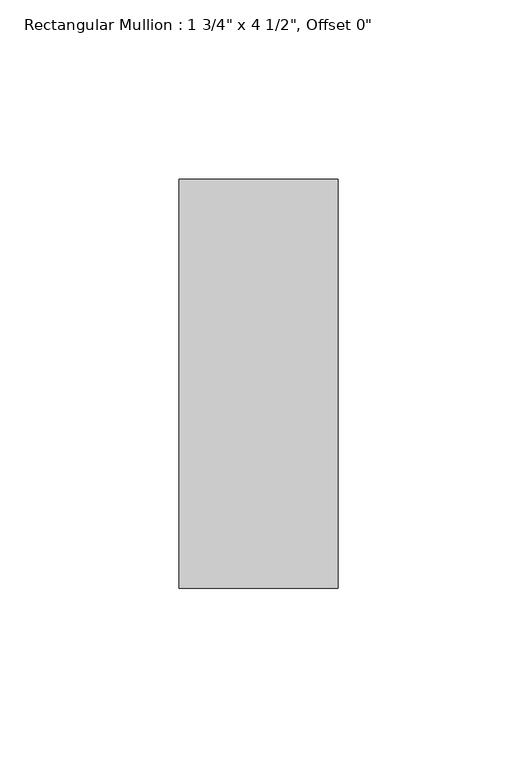
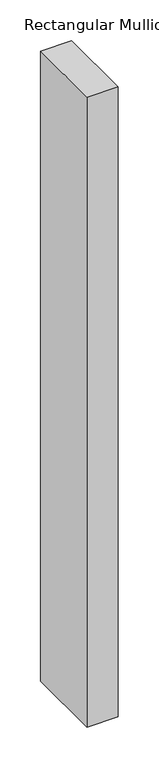
"""IFC4 building model written with IfcOpenShell, lengths in millimetres: member geometry."""

from ifc_helpers import new_model, si_unit, frame, origin, place, context, project, spatial, polyline, outline, extrude, source, transform, mapped, element, save


def member_02fd950b(model_context):
    return source(origin(), model_context, "Body", "SweptSolid", [
        extrude(outline(polyline([(0.0, 57.15), (0.0, -57.15), (-44.45, -57.15), (-44.45, 57.15), (0.0, 57.15)])), frame((0.0, 0.0, -946.15), z_axis=(0.0, 0.0, 1.0), x_axis=(1.0, 0.0, 0.0)), (0.0, 0.0, 1.0), 946.15),
    ])


if __name__ == "__main__":
    model = new_model("IFC4")
    model_context = context("Model", 3, world=origin())
    ifc_project = project(units=[si_unit("LENGTHUNIT", "METRE", prefix="MILLI")], contexts=[model_context])
    site = spatial("IfcSite", under=ifc_project)
    building = spatial("IfcBuilding", under=site)
    placement = place(None, origin())
    member_shape = member_02fd950b(model_context)
    element("IfcMember", 1, ObjectType="Rectangular Mullion : 1 3/4\" x 4 1/2\", Offset 0\"", at=placement, inside=building, context=model_context, shape_type="MappedRepresentation", body=[
        mapped(member_shape, transform((0.0, 0.0, 0.0), x_axis=(1.0, 0.0, 0.0), y_axis=(0.0, 1.0, 0.0), z_axis=(0.0, 0.0, 1.0))),
    ])
    save(model, "model.ifc")
